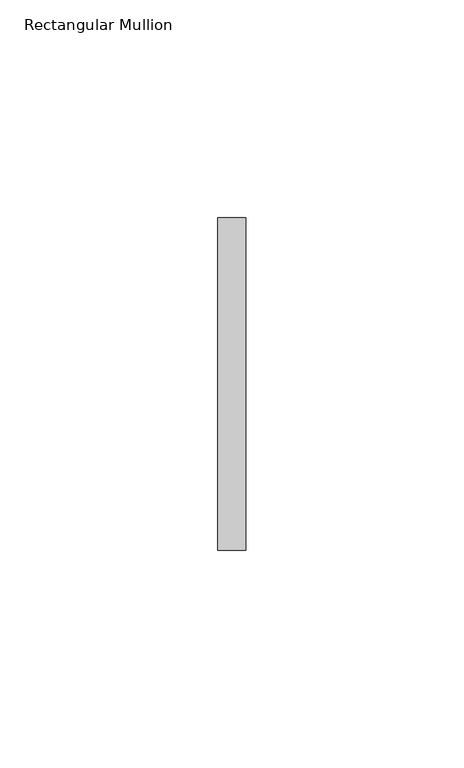
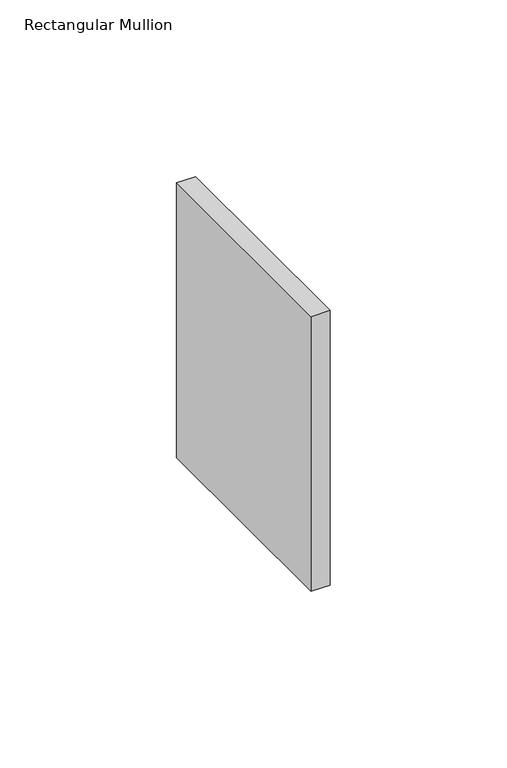
"""IFC4 building model written with IfcOpenShell, lengths in millimetres: member geometry, Rectangular Mullion."""

from ifc_helpers import new_model, si_unit, frame, origin, place, context, project, spatial, polyline, outline, extrude, source, transform, mapped, element, save


def rectangular_mullion_e107e338(model_context):
    return source(origin(), model_context, "Body", "SweptSolid", [
        extrude(outline(polyline([(0.0, 38.1), (0.0, -38.1), (-6.35, -38.1), (-6.35, 38.1), (0.0, 38.1)])), frame((0.0, 0.0, -95.0322598), z_axis=(0.0, 0.0, 1.0), x_axis=(1.0, 0.0, 0.0)), (0.0, 0.0, 1.0), 95.0322598),
    ])


if __name__ == "__main__":
    model = new_model("IFC4")
    model_context = context("Model", 3, world=origin())
    ifc_project = project(units=[si_unit("LENGTHUNIT", "METRE", prefix="MILLI")], contexts=[model_context])
    site = spatial("IfcSite", under=ifc_project)
    building = spatial("IfcBuilding", under=site)
    placement = place(None, origin())
    rectangular_mullion_shape = rectangular_mullion_e107e338(model_context)
    element("IfcMember", 1, ObjectType="Rectangular Mullion", at=placement, inside=building, context=model_context, shape_type="MappedRepresentation", body=[
        mapped(rectangular_mullion_shape, transform((0.0, 0.0, 0.0), x_axis=(1.0, 0.0, 0.0), y_axis=(0.0, 1.0, 0.0), z_axis=(0.0, 0.0, 1.0))),
    ])
    save(model, "model.ifc")
